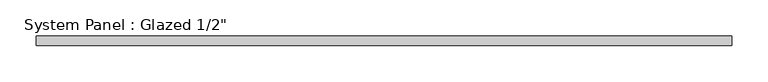
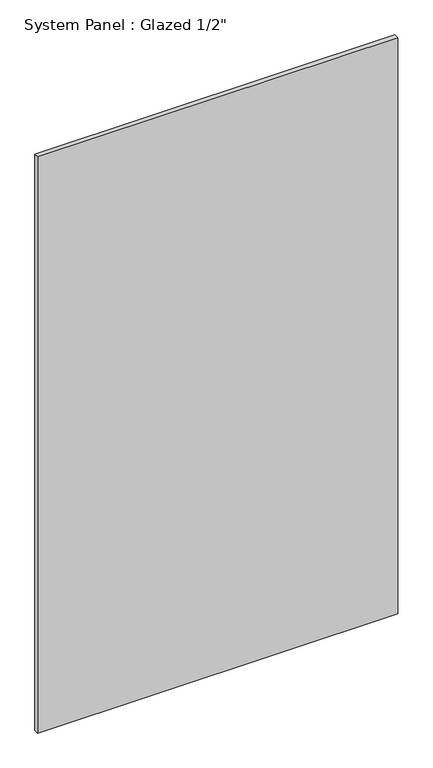
"""IFC4 building model written with IfcOpenShell, lengths in millimetres: plate geometry."""

from ifc_helpers import new_model, si_unit, origin, origin_with_axes, place, context, project, spatial, polyline, outline, extrude, source, transform, mapped, element, save


def plate_0d1922ac(model_context):
    return source(origin(), model_context, "Body", "SweptSolid", [
        extrude(outline(polyline([(478.3666667, -6.35), (-478.3666667, -6.35), (-478.3666667, 6.35), (478.3666667, 6.35), (478.3666667, -6.35)])), origin_with_axes(), (0.0, 0.0, 1.0), 1619.25),
    ])


if __name__ == "__main__":
    model = new_model("IFC4")
    model_context = context("Model", 3, world=origin())
    ifc_project = project(units=[si_unit("LENGTHUNIT", "METRE", prefix="MILLI")], contexts=[model_context])
    site = spatial("IfcSite", under=ifc_project)
    building = spatial("IfcBuilding", under=site)
    placement = place(None, origin())
    plate_shape = plate_0d1922ac(model_context)
    element("IfcPlate", 1, ObjectType="System Panel : Glazed 1/2\"", at=placement, inside=building, context=model_context, shape_type="MappedRepresentation", body=[
        mapped(plate_shape, transform((0.0, 0.0, 0.0), x_axis=(1.0, 0.0, 0.0), y_axis=(0.0, 1.0, 0.0), z_axis=(0.0, 0.0, 1.0))),
    ])
    save(model, "model.ifc")
